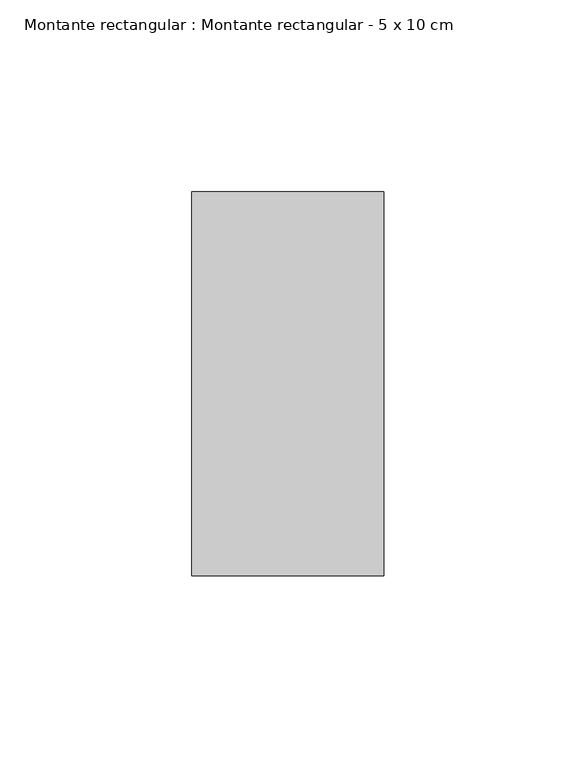
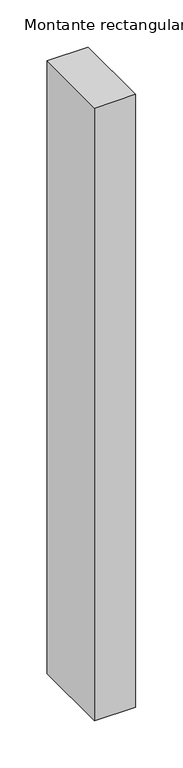
"""IFC4 building model written with IfcOpenShell, lengths in millimetres: member geometry, Montante rectangular : Montante rectangular - 5 x 10 cm."""

from ifc_helpers import new_model, si_unit, frame, origin, place, context, project, spatial, polyline, outline, extrude, source, transform, mapped, element, save


def montante_rectangular_montante_rectangular_5_x_10_cm_7591d0ed(model_context):
    return source(origin(), model_context, "Body", "SweptSolid", [
        extrude(outline(polyline([(0.0, 50.0), (0.0, -50.0), (-50.0, -50.0), (-50.0, 50.0), (0.0, 50.0)])), frame((0.0, 0.0, -789.0), z_axis=(0.0, 0.0, 1.0), x_axis=(1.0, 0.0, 0.0)), (0.0, 0.0, 1.0), 789.0),
    ])


if __name__ == "__main__":
    model = new_model("IFC4")
    model_context = context("Model", 3, world=origin())
    ifc_project = project(units=[si_unit("LENGTHUNIT", "METRE", prefix="MILLI")], contexts=[model_context])
    site = spatial("IfcSite", under=ifc_project)
    building = spatial("IfcBuilding", under=site)
    placement = place(None, origin())
    montante_rectangular_montante_rectangular_5_x_10_cm_shape = montante_rectangular_montante_rectangular_5_x_10_cm_7591d0ed(model_context)
    element("IfcMember", 1, ObjectType="Montante rectangular : Montante rectangular - 5 x 10 cm", at=placement, inside=building, context=model_context, shape_type="MappedRepresentation", body=[
        mapped(montante_rectangular_montante_rectangular_5_x_10_cm_shape, transform((0.0, 0.0, 0.0), x_axis=(1.0, 0.0, 0.0), y_axis=(0.0, 1.0, 0.0), z_axis=(0.0, 0.0, 1.0))),
    ])
    save(model, "model.ifc")
